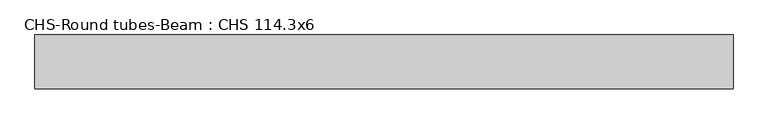
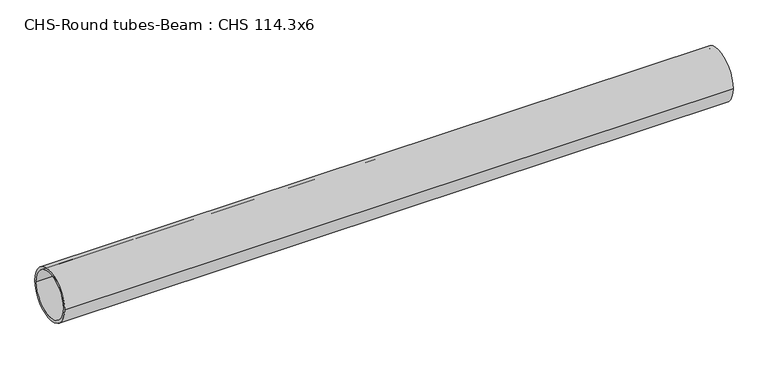
"""IFC4 building model written with IfcOpenShell, lengths in millimetres: beam geometry, CHS-Round tubes-Beam : CHS 114.3x6."""

from ifc_helpers import new_model, si_unit, point, frame, origin, origin_2d, place, context, project, spatial, circle_curve, trimmed, segment, composite_curve, outline, extrude, source, transform, mapped, element, save


def chs_round_tubes_beam_chs_114_3x6_4a6b8e85(model_context):
    return source(origin(), model_context, "Body", "SweptSolid", [
        extrude(outline(composite_curve([segment(trimmed(circle_curve(origin_2d(), 57.15), [point((57.15, 0.0))], [point((-57.15, 0.0))], False, "CARTESIAN"), True, "CONTINUOUS"), segment(trimmed(circle_curve(origin_2d(), 57.15), [point((-57.15, 0.0))], [point((57.15, 0.0))], False, "CARTESIAN"), True, "CONTINUOUS")], self_intersect=False), holes=[composite_curve([segment(trimmed(circle_curve(origin_2d(), 51.15), [point((51.15, 0.0))], [point((-51.15, 0.0))], True, "CARTESIAN"), True, "CONTINUOUS"), segment(trimmed(circle_curve(origin_2d(), 51.15), [point((-51.15, 0.0))], [point((51.15, 0.0))], True, "CARTESIAN"), True, "CONTINUOUS")], self_intersect=False)]), frame((-756.5807788, 0.0, 0.0), z_axis=(1.0, 0.0, 0.0), x_axis=(0.0, 1.0, 0.0)), (0.0, 0.0, 1.0), 1484.494387),
    ])


if __name__ == "__main__":
    model = new_model("IFC4")
    model_context = context("Model", 3, world=origin())
    ifc_project = project(units=[si_unit("LENGTHUNIT", "METRE", prefix="MILLI")], contexts=[model_context])
    site = spatial("IfcSite", under=ifc_project)
    building = spatial("IfcBuilding", under=site)
    placement = place(None, origin())
    chs_round_tubes_beam_chs_114_3x6_shape = chs_round_tubes_beam_chs_114_3x6_4a6b8e85(model_context)
    element("IfcBeam", 1, ObjectType="CHS-Round tubes-Beam : CHS 114.3x6", at=placement, inside=building, context=model_context, shape_type="MappedRepresentation", body=[
        mapped(chs_round_tubes_beam_chs_114_3x6_shape, transform((0.0, 0.0, 0.0), x_axis=(1.0, 0.0, 0.0), y_axis=(0.0, 1.0, 0.0), z_axis=(0.0, 0.0, 1.0))),
    ])
    save(model, "model.ifc")
